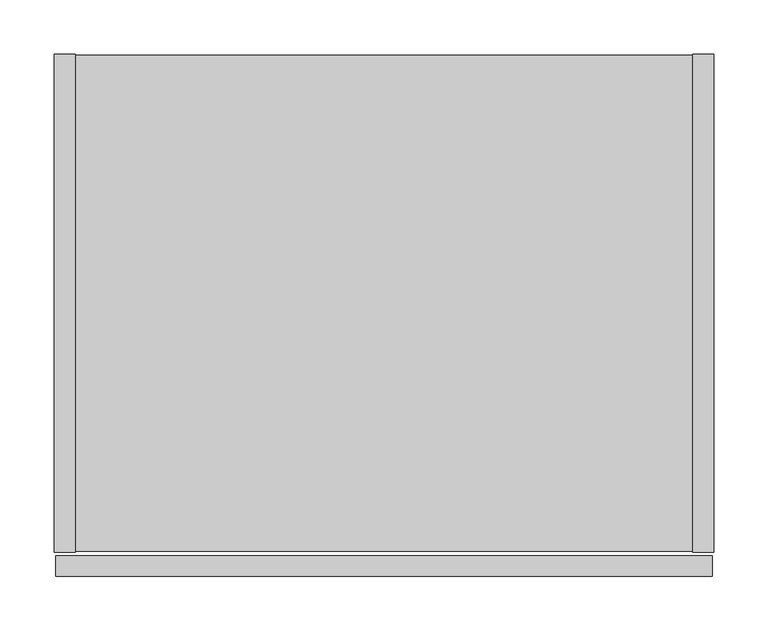
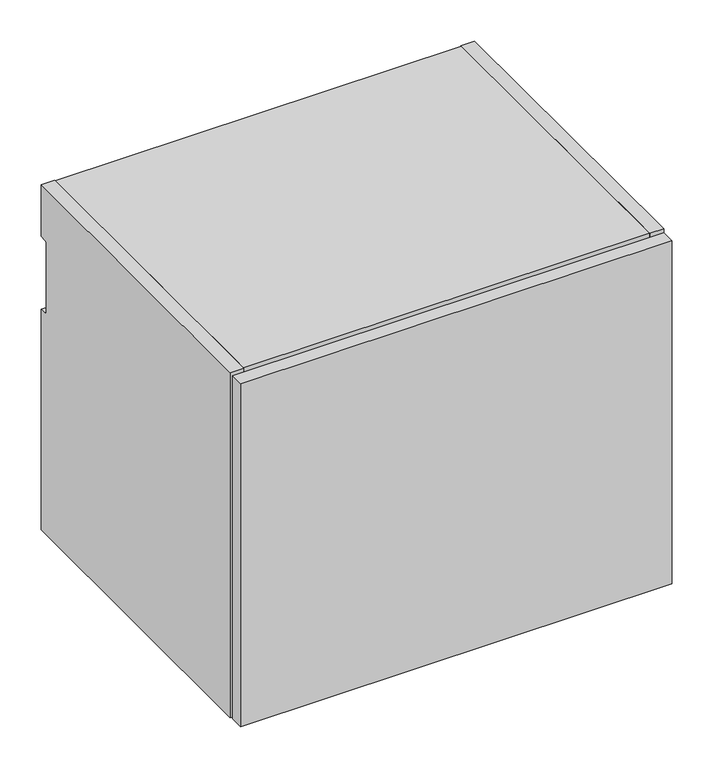
"""IFC4 building model written with IfcOpenShell, lengths in millimetres: furniture geometry."""

import ifcopenshell
import ifcopenshell.guid

model = None  # the IFC model being written
_history = None  # IfcOwnerHistory: only IFC2X3 demands one
_inside = {}  # id of a spatial element -> (the spatial element, [elements in it])
_under = {}  # id of a project, library or spatial element -> (it, [spatial elements below it])
_declared = {}  # id of a project -> (the project, [libraries it declares])
_typed = {}  # id of a type object -> (the type object, [elements of that type])
_made_of = {}  # id of a material, layer set ... -> (it, [elements and type objects made of it])


def new_model(schema):
    """Start an empty IFC model of exactly this schema.

    Asked for "IFC4X3", IfcOpenShell would pick the latest addendum, in which some entities
    have other attributes; the version numbers below select the first issue.
    IFC2X3 requires an IfcOwnerHistory on every rooted entity: one is made here for all.
    """
    global model, _history
    if schema == "IFC4X3":
        model = ifcopenshell.file(schema_version=(4, 3, 0, 0))
    else:
        model = ifcopenshell.file(schema=schema)
    _inside.clear()
    _under.clear()
    _declared.clear()
    _typed.clear()
    _made_of.clear()
    _history = None
    if model.schema == "IFC2X3":
        org = make("IfcOrganization", Name="unknown")
        user = make(
            "IfcPersonAndOrganization",
            ThePerson=make("IfcPerson", FamilyName="unknown"),
            TheOrganization=org,
        )
        app = make(
            "IfcApplication",
            ApplicationDeveloper=org,
            Version="unknown",
            ApplicationFullName="unknown",
            ApplicationIdentifier="unknown",
        )
        _history = make(
            "IfcOwnerHistory",
            OwningUser=user,
            OwningApplication=app,
            ChangeAction="ADDED",
            CreationDate=0,
        )
    return model


def make(cls, **values):
    """One entity of the class cls with the attributes given. An attribute that is None is left unset."""
    return model.create_entity(
        cls, **{name: value for name, value in values.items() if value is not None}
    )


def rooted(cls, **values):
    """An entity with a GlobalId (a new one), such as an element, a storey or a relation."""
    return make(cls, GlobalId=ifcopenshell.guid.new(), OwnerHistory=_history, **values)


def si_unit(unit_type, name, prefix=None):
    """IfcSIUnit, for example si_unit("LENGTHUNIT", "METRE", prefix="MILLI")."""
    return make("IfcSIUnit", UnitType=unit_type, Prefix=prefix, Name=name)


def assignment(units):
    """IfcUnitAssignment: the units of a project."""
    return None if units is None else make("IfcUnitAssignment", Units=units)


def point(xyz):
    """IfcCartesianPoint."""
    return None if xyz is None else make("IfcCartesianPoint", Coordinates=xyz)


def direction(xyz):
    """IfcDirection."""
    return None if xyz is None else make("IfcDirection", DirectionRatios=xyz)


def frame(location, z_axis=None, x_axis=None):
    """IfcAxis2Placement3D, a coordinate frame: its origin and axes. An axis left out is left unset."""
    return make(
        "IfcAxis2Placement3D",
        Location=point(location),
        Axis=direction(z_axis),
        RefDirection=direction(x_axis),
    )


def frame_2d(location, x_axis=None):
    """IfcAxis2Placement2D, a coordinate frame in the plane: its origin and x axis."""
    return make(
        "IfcAxis2Placement2D", Location=point(location), RefDirection=direction(x_axis)
    )


def origin():
    """The frame at (0, 0, 0) with its axes left unset."""
    return frame((0.0, 0.0, 0.0))


def place(relative_to, where):
    """IfcLocalPlacement: puts the frame where relative to a parent placement (None: the world)."""
    return make(
        "IfcLocalPlacement", PlacementRelTo=relative_to, RelativePlacement=where
    )


def context(
    kind, dimensions, precision=None, world=None, true_north=None, identifier=None
):
    """IfcGeometricRepresentationContext, for example the 3D "Model" context."""
    return make(
        "IfcGeometricRepresentationContext",
        ContextIdentifier=identifier,
        ContextType=kind,
        CoordinateSpaceDimension=dimensions,
        Precision=precision,
        WorldCoordinateSystem=world,
        TrueNorth=true_north,
    )


def project(units=None, contexts=None):
    """IfcProject with its units and contexts."""
    return rooted(
        "IfcProject",
        Name="project",
        RepresentationContexts=contexts,
        UnitsInContext=assignment(units),
    )


def spatial(cls, under=None, at=None, **own):
    """A site, building, storey or space (cls), placed at a placement, below another one or the project."""
    s = rooted(cls, ObjectPlacement=at, **own)
    if under is not None:
        _under.setdefault(under.id(), (under, []))[1].append(s)
    return s


def polyline(points):
    """IfcPolyline through the points."""
    return make("IfcPolyline", Points=[point(p) for p in points])


def circle_curve(where, radius):
    """IfcCircle in the frame where."""
    return make("IfcCircle", Position=where, Radius=radius)


def trimmed(basis, trim1, trim2, sense, master):
    """IfcTrimmedCurve: the piece of a basis curve between two trims."""
    return make(
        "IfcTrimmedCurve",
        BasisCurve=basis,
        Trim1=trim1,
        Trim2=trim2,
        SenseAgreement=sense,
        MasterRepresentation=master,
    )


def segment(curve, same_sense, transition):
    """IfcCompositeCurveSegment."""
    return make(
        "IfcCompositeCurveSegment",
        Transition=transition,
        SameSense=same_sense,
        ParentCurve=curve,
    )


def composite_curve(segments, self_intersect=None):
    """IfcCompositeCurve: segments joined end to end."""
    return make("IfcCompositeCurve", Segments=segments, SelfIntersect=self_intersect)


def outline(outer, holes=None, kind="AREA"):
    """IfcArbitraryClosedProfileDef: a profile drawn as a closed curve; with holes, ...WithVoids."""
    if holes is None:
        return make("IfcArbitraryClosedProfileDef", ProfileType=kind, OuterCurve=outer)
    return make(
        "IfcArbitraryProfileDefWithVoids",
        ProfileType=kind,
        OuterCurve=outer,
        InnerCurves=holes,
    )


def extrude(swept, where, along, depth):
    """IfcExtrudedAreaSolid: the profile swept, set in the frame where, extruded along a direction by depth."""
    return make(
        "IfcExtrudedAreaSolid",
        SweptArea=swept,
        Position=where,
        ExtrudedDirection=direction(along),
        Depth=depth,
    )


def shape(context_of_items, identifier, shape_type, items):
    """IfcShapeRepresentation: the items that make up one representation, for example the "Body"."""
    return make(
        "IfcShapeRepresentation",
        ContextOfItems=context_of_items,
        RepresentationIdentifier=identifier,
        RepresentationType=shape_type,
        Items=items,
    )


def source(mapping_origin, context_of_items, identifier, shape_type, items):
    """IfcRepresentationMap: a shape defined once, which mapped items show again and again."""
    return make(
        "IfcRepresentationMap",
        MappingOrigin=mapping_origin,
        MappedRepresentation=shape(context_of_items, identifier, shape_type, items),
    )


def transform(
    local_origin,
    x_axis=None,
    y_axis=None,
    z_axis=None,
    scale=None,
    scale2=None,
    scale3=None,
    uniform=True,
):
    """IfcCartesianTransformationOperator3D, or its non-uniform kind. x_axis, y_axis, z_axis: its Axis1, 2, 3."""
    if uniform:
        return make(
            "IfcCartesianTransformationOperator3D",
            Axis1=direction(x_axis),
            Axis2=direction(y_axis),
            LocalOrigin=point(local_origin),
            Scale=scale,
            Axis3=direction(z_axis),
        )
    return make(
        "IfcCartesianTransformationOperator3DnonUniform",
        Axis1=direction(x_axis),
        Axis2=direction(y_axis),
        LocalOrigin=point(local_origin),
        Scale=scale,
        Axis3=direction(z_axis),
        Scale2=scale2,
        Scale3=scale3,
    )


def mapped(mapping_source, mapping_target):
    """IfcMappedItem: shows the shape of a source again, moved by a transform."""
    return make(
        "IfcMappedItem", MappingSource=mapping_source, MappingTarget=mapping_target
    )


def made_of(thing, what):
    """Note that an element or type object is made of a material, layer set ...; save() writes the relation."""
    if what is not None:
        _made_of.setdefault(what.id(), (what, []))[1].append(thing)
    return thing


def element(
    cls,
    number,
    at=None,
    inside=None,
    cuts=None,
    type_object=None,
    material=None,
    context=None,
    identifier="Body",
    shape_type=None,
    held_by="IfcProductDefinitionShape",
    body=None,
    shapes=None,
    **own,
):
    """One element of the class cls, such as IfcWall. Its Tag is "e" and its number.

    at: its placement. inside: the storey or other place that contains it. cuts: it is an
    opening in that element (IfcRelVoidsElement). A single representation is given by context,
    identifier, shape_type and body (its items); several are given by shapes. held_by: the class
    of the entity that holds the representations. save() writes the other relations.
    """
    e = rooted(cls, Tag="e%d" % number, ObjectPlacement=at, **own)
    if body is not None:
        shapes = [shape(context, identifier, shape_type, body)]
    if shapes is not None:
        e.Representation = make(held_by, Representations=shapes)
    if inside is not None:
        _inside.setdefault(inside.id(), (inside, []))[1].append(e)
    if cuts is not None:
        rooted(
            "IfcRelVoidsElement", RelatingBuildingElement=cuts, RelatedOpeningElement=e
        )
    if type_object is not None:
        _typed.setdefault(type_object.id(), (type_object, []))[1].append(e)
    return made_of(e, material)


def aggregate(whole, parts):
    """IfcRelAggregates: a whole, such as a stair, and the parts it consists of."""
    return rooted("IfcRelAggregates", RelatingObject=whole, RelatedObjects=parts)


def save(model, path):
    """Write the relations noted so far, then the file.

    IfcRelAggregates (storeys below a building ...), IfcRelContainedInSpatialStructure (elements
    in a storey), IfcRelDefinesByType, IfcRelAssociatesMaterial and IfcRelDeclares: one each for
    every whole, place, type object, material and project.
    """
    for whole, parts in _under.values():
        aggregate(whole, parts)
    for where, things in _inside.values():
        rooted(
            "IfcRelContainedInSpatialStructure",
            RelatedElements=things,
            RelatingStructure=where,
        )
    for kind, things in _typed.values():
        rooted("IfcRelDefinesByType", RelatedObjects=things, RelatingType=kind)
    for what, things in _made_of.values():
        rooted("IfcRelAssociatesMaterial", RelatedObjects=things, RelatingMaterial=what)
    for by, libraries in _declared.values():
        rooted("IfcRelDeclares", RelatingContext=by, RelatedDefinitions=libraries)
    model.write(path)


def furniture_6944c08f(model_context):
    return source(origin(), model_context, "Body", "SweptSolid", [
        extrude(outline(polyline([(608.0125, -482.6), (1.5875, -482.6), (1.5875, -463.296), (608.0125, -463.296), (608.0125, -482.6)])), frame((0.0, 0.0, 376.428), z_axis=(0.0, 0.0, 1.0), x_axis=(1.0, 0.0, 0.0)), (0.0, 0.0, 1.0), 509.397),
        extrude(outline(polyline([(609.6, 0.0), (609.6, -460.121), (590.296, -460.121), (590.296, 0.0), (609.6, 0.0)])), frame((0.0, 0.0, 376.428), z_axis=(0.0, 0.0, 1.0), x_axis=(1.0, 0.0, 0.0)), (0.0, 0.0, 1.0), 512.572),
        extrude(outline(polyline([(590.296, -0.9906), (590.296, -459.1304), (19.304, -459.1304), (19.304, -0.9906), (590.296, -0.9906)])), frame((0.0, 0.0, 377.4186), z_axis=(0.0, 0.0, 1.0), x_axis=(1.0, 0.0, 0.0)), (0.0, 0.0, 1.0), 19.304),
        extrude(outline(composite_curve([segment(polyline([(-32.004, 869.696), (-11.938, 869.696), (-11.938, 811.0988429)]), True, "CONTINUOUS"), segment(trimmed(circle_curve(frame_2d((-9.3963729, 808.9883729)), 3.3036271), [point((-11.938, 811.0988429))], [point((-12.7, 808.9883729))], True, "CARTESIAN"), True, "CONTINUOUS"), segment(polyline([(-12.7, 808.9883729), (-12.7, 707.644)]), True, "CONTINUOUS"), segment(trimmed(circle_curve(frame_2d((-9.398, 707.644)), 3.302), [point((-12.7, 707.644))], [point((-11.938, 705.5341175))], True, "CARTESIAN"), True, "CONTINUOUS"), segment(polyline([(-11.938, 705.5341175), (-11.938, 396.7226), (-32.004, 396.7226), (-32.004, 869.696)]), True, "CONTINUOUS")], self_intersect=False)), frame((19.304, 0.0, 0.0), z_axis=(1.0, 0.0, 0.0), x_axis=(0.0, 1.0, 0.0)), (0.0, 0.0, 1.0), 570.992),
        extrude(outline(composite_curve([segment(polyline([(-460.121, 889.0), (0.0, 889.0), (0.0, 812.292), (-9.3963729, 812.292)]), True, "CONTINUOUS"), segment(trimmed(circle_curve(frame_2d((-9.3963729, 808.9883729)), 3.3036271), [point((-9.3963729, 812.292))], [point((-12.7, 808.9883729))], True, "CARTESIAN"), True, "CONTINUOUS"), segment(polyline([(-12.7, 808.9883729), (-12.7, 707.644)]), True, "CONTINUOUS"), segment(trimmed(circle_curve(frame_2d((-9.398, 707.644)), 3.302), [point((-12.7, 707.644))], [point((-9.398, 704.342))], True, "CARTESIAN"), True, "CONTINUOUS"), segment(polyline([(-9.398, 704.342), (0.0, 704.342), (0.0, 376.428), (-460.121, 376.428), (-460.121, 889.0)]), True, "CONTINUOUS")], self_intersect=False)), frame((0.0, 0.0, 0.0), z_axis=(1.0, 0.0, 0.0), x_axis=(0.0, 1.0, 0.0)), (0.0, 0.0, 1.0), 19.304),
        extrude(outline(polyline([(590.296, -459.1304), (19.304, -459.1304), (19.304, -0.9906), (590.296, -0.9906), (590.296, -459.1304)])), frame((0.0, 0.0, 869.696), z_axis=(0.0, 0.0, 1.0), x_axis=(1.0, 0.0, 0.0)), (0.0, 0.0, 1.0), 19.304),
    ])


if __name__ == "__main__":
    model = new_model("IFC4")
    model_context = context("Model", 3, world=origin())
    ifc_project = project(units=[si_unit("LENGTHUNIT", "METRE", prefix="MILLI")], contexts=[model_context])
    site = spatial("IfcSite", under=ifc_project)
    building = spatial("IfcBuilding", under=site)
    placement = place(None, origin())
    furniture_shape = furniture_6944c08f(model_context)
    element("IfcFurniture", 1, at=placement, inside=building, context=model_context, shape_type="MappedRepresentation", body=[
        mapped(furniture_shape, transform((0.0, 0.0, 0.0), x_axis=(1.0, 0.0, 0.0), y_axis=(0.0, 1.0, 0.0), z_axis=(0.0, 0.0, 1.0))),
    ])
    save(model, "model.ifc")
